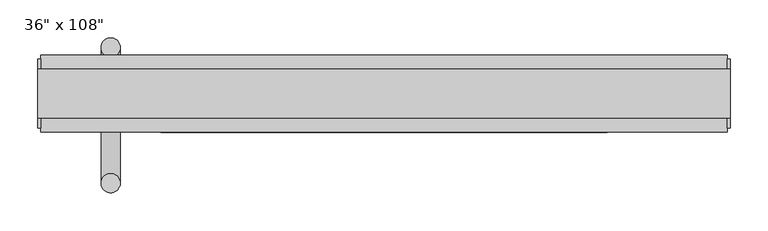
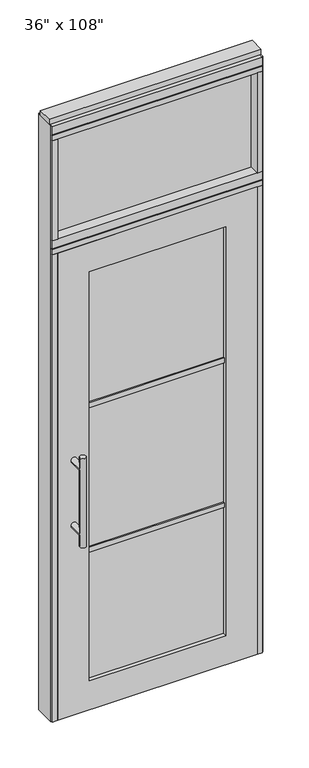
"""IFC4 building model written with IfcOpenShell, lengths in millimetres: furniture geometry."""

from ifc_helpers import new_model, si_unit, frame, origin, origin_with_axes, place, context, project, spatial, polyline, circle_curve, ellipse_curve, outline, extrude, source, transform, mapped, element, save
from ifc_brep_helpers import plane_surface, cylinder_surface, advanced_brep


def furniture_d112f5d3(model_context):
    return source(origin(), model_context, "Body", "SolidModel", [
        extrude(outline(polyline([(371.0014771, -9.5977216), (-491.0745229, -9.5977216), (-491.0745229, 0.5622784), (371.0014771, 0.5622784), (371.0014771, -9.5977216)])), frame((0.0, 0.0, 2197.1), z_axis=(0.0, 0.0, 1.0), x_axis=(1.0, 0.0, 0.0)), (0.0, 0.0, 1.0), 457.2),
        advanced_brep(
        [(-433.7975229, 56.6962784, 1219.2), (-408.3975229, 56.6962784, 1219.2), (-433.7975229, 56.6962784, 812.8), (-408.3975229, 56.6962784, 812.8), (-408.3975229, 56.6962784, 1164.336), (-408.3975229, 56.6962784, 867.664), (-433.7975229, 56.6962784, 867.664), (-433.7975229, 56.6962784, 1164.336), (-433.7975229, -10.8677216, 1164.336), (-408.3975229, -10.8677216, 1164.336), (-433.7975229, -10.8677216, 867.664), (-408.3975229, -10.8677216, 867.664)],
        [
            (0, 1, circle_curve(frame((-421.0975229, 56.6962784, 1219.2), z_axis=(0.0, 0.0, 1.0), x_axis=(1.0, 0.0, 0.0)), 12.7)),
            (1, 0, circle_curve(frame((-421.0975229, 56.6962784, 1219.2), z_axis=(0.0, 0.0, 1.0), x_axis=(1.0, 0.0, 0.0)), 12.7)),
            (2, 3, circle_curve(frame((-421.0975229, 56.6962784, 812.8), z_axis=(0.0, 0.0, -1.0), x_axis=(1.0, 0.0, 0.0)), 12.7)),
            (3, 2, circle_curve(frame((-421.0975229, 56.6962784, 812.8), z_axis=(0.0, 0.0, -1.0), x_axis=(1.0, 0.0, 0.0)), 12.7)),
            (1, 4),
            (4, 5),
            (5, 3),
            (2, 6),
            (6, 7),
            (7, 0),
            (6, 5, ellipse_curve(frame((-421.0975229, 56.6962784, 867.664), z_axis=(0.0, 0.707106781186565, 0.70710678118653), x_axis=(0.0, -0.70710678118653, 0.707106781186565)), 17.9605122, 12.7)),
            (4, 7, ellipse_curve(frame((-421.0975229, 56.6962784, 1164.336), z_axis=(0.0, 0.70710678118653, -0.7071067811865649), x_axis=(0.0, 0.7071067811865648, 0.7071067811865301)), 17.9605122, 12.7)),
            (7, 4, ellipse_curve(frame((-421.0975229, 56.6962784, 1164.336), z_axis=(0.0, 0.707106781186565, 0.70710678118653), x_axis=(0.0, -0.70710678118653, 0.707106781186565)), 17.9605122, 12.7)),
            (5, 6, ellipse_curve(frame((-421.0975229, 56.6962784, 867.664), z_axis=(0.0, 0.70710678118653, -0.7071067811865649), x_axis=(0.0, 0.7071067811865648, 0.7071067811865301)), 17.9605122, 12.7)),
            (8, 9, circle_curve(frame((-421.0975229, -10.8677216, 1164.336), z_axis=(0.0, -1.0, 0.0), x_axis=(1.0, 0.0, 0.0)), 12.7)),
            (9, 8, circle_curve(frame((-421.0975229, -10.8677216, 1164.336), z_axis=(0.0, -1.0, 0.0), x_axis=(1.0, 0.0, 0.0)), 12.7)),
            (8, 7),
            (4, 9),
            (10, 11, circle_curve(frame((-421.0975229, -10.8677216, 867.664), z_axis=(0.0, -1.0, 0.0), x_axis=(1.0, 0.0, 0.0)), 12.7)),
            (11, 10, circle_curve(frame((-421.0975229, -10.8677216, 867.664), z_axis=(0.0, -1.0, 0.0), x_axis=(1.0, 0.0, 0.0)), 12.7)),
            (10, 6),
            (5, 11),
        ],
        [
            plane_surface(frame((-408.3975229, 56.6962784, 1219.2), z_axis=(0.0, 0.0, 1.0), x_axis=(0.0, -1.0, 0.0))),
            plane_surface(frame((-408.3975229, 56.6962784, 812.8), z_axis=(0.0, 0.0, -1.0), x_axis=(0.0, 1.0, 0.0))),
            cylinder_surface(frame((-421.0975229, 56.6962784, 812.8), z_axis=(0.0, 0.0, 1.0), x_axis=(1.0, 0.0, 0.0)), 12.7),
            plane_surface(frame((-408.3975229, -10.8677216, 1164.336), z_axis=(0.0, -1.0, 0.0), x_axis=(0.0, 0.0, -1.0))),
            cylinder_surface(frame((-421.0975229, -10.8677216, 1164.336), z_axis=(0.0, 1.0, 0.0), x_axis=(1.0, 0.0, 0.0)), 12.7),
            plane_surface(frame((-408.3975229, -10.8677216, 867.664), z_axis=(0.0, -1.0, 0.0), x_axis=(0.0, 0.0, -1.0))),
            cylinder_surface(frame((-421.0975229, -10.8677216, 867.664), z_axis=(0.0, 1.0, 0.0), x_axis=(1.0, 0.0, 0.0)), 12.7),
        ],
        [
            (0, [[1, 2]]),
            (1, [[3, 4]]),
            (2, [[5, 6, 7, -3, 8, 9, 10, -2]]),
            (2, [[-9, 11, -6, 12]]),
            (2, [[-10, 13, -5, -1]]),
            (2, [[-7, 14, -8, -4]]),
            (3, [[15, 16]]),
            (4, [[17, -12, 18, -15]]),
            (4, [[-18, -13, -17, -16]]),
            (5, [[19, 20]]),
            (6, [[21, -14, 22, -19]]),
            (6, [[-22, -11, -21, -20]]),
        ],
    ),
        advanced_brep(
        [(-433.7975229, -122.8817216, 1219.2), (-408.3975229, -122.8817216, 1219.2), (-433.7975229, -122.8817216, 812.8), (-408.3975229, -122.8817216, 812.8), (-433.7975229, -122.8817216, 1164.336), (-433.7975229, -122.8817216, 867.664), (-408.3975229, -122.8817216, 867.664), (-408.3975229, -122.8817216, 1164.336), (-433.7975229, -55.3177216, 1164.336), (-408.3975229, -55.3177216, 1164.336), (-433.7975229, -55.3177216, 867.664), (-408.3975229, -55.3177216, 867.664)],
        [
            (0, 1, circle_curve(frame((-421.0975229, -122.8817216, 1219.2), z_axis=(0.0, 0.0, 1.0), x_axis=(1.0, 0.0, 0.0)), 12.7)),
            (1, 0, circle_curve(frame((-421.0975229, -122.8817216, 1219.2), z_axis=(0.0, 0.0, 1.0), x_axis=(1.0, 0.0, 0.0)), 12.7)),
            (2, 3, circle_curve(frame((-421.0975229, -122.8817216, 812.8), z_axis=(0.0, 0.0, -1.0), x_axis=(1.0, 0.0, 0.0)), 12.7)),
            (3, 2, circle_curve(frame((-421.0975229, -122.8817216, 812.8), z_axis=(0.0, 0.0, -1.0), x_axis=(1.0, 0.0, 0.0)), 12.7)),
            (0, 4),
            (4, 5),
            (5, 2),
            (3, 6),
            (6, 7),
            (7, 1),
            (7, 4, ellipse_curve(frame((-421.0975229, -122.8817216, 1164.336), z_axis=(0.0, -0.707106781186565, 0.70710678118653), x_axis=(0.0, 0.70710678118653, 0.707106781186565)), 17.9605122, 12.7)),
            (5, 6, ellipse_curve(frame((-421.0975229, -122.8817216, 867.664), z_axis=(0.0, -0.70710678118653, -0.7071067811865649), x_axis=(0.0, -0.7071067811865648, 0.7071067811865301)), 17.9605122, 12.7)),
            (4, 7, ellipse_curve(frame((-421.0975229, -122.8817216, 1164.336), z_axis=(0.0, -0.70710678118653, -0.7071067811865649), x_axis=(0.0, -0.7071067811865648, 0.7071067811865301)), 17.9605122, 12.7)),
            (6, 5, ellipse_curve(frame((-421.0975229, -122.8817216, 867.664), z_axis=(0.0, -0.707106781186565, 0.70710678118653), x_axis=(0.0, 0.70710678118653, 0.707106781186565)), 17.9605122, 12.7)),
            (8, 9, circle_curve(frame((-421.0975229, -55.3177216, 1164.336), z_axis=(0.0, 1.0, 0.0), x_axis=(1.0, 0.0, 0.0)), 12.7)),
            (9, 8, circle_curve(frame((-421.0975229, -55.3177216, 1164.336), z_axis=(0.0, 1.0, 0.0), x_axis=(1.0, 0.0, 0.0)), 12.7)),
            (9, 7),
            (4, 8),
            (10, 11, circle_curve(frame((-421.0975229, -55.3177216, 867.664), z_axis=(0.0, 1.0, 0.0), x_axis=(1.0, 0.0, 0.0)), 12.7)),
            (11, 10, circle_curve(frame((-421.0975229, -55.3177216, 867.664), z_axis=(0.0, 1.0, 0.0), x_axis=(1.0, 0.0, 0.0)), 12.7)),
            (11, 6),
            (5, 10),
        ],
        [
            plane_surface(frame((-408.3975229, -122.8817216, 1219.2), z_axis=(0.0, 0.0, 1.0), x_axis=(0.0, 1.0, 0.0))),
            plane_surface(frame((-408.3975229, -122.8817216, 812.8), z_axis=(0.0, 0.0, -1.0), x_axis=(0.0, -1.0, 0.0))),
            cylinder_surface(frame((-421.0975229, -122.8817216, 812.8), z_axis=(0.0, 0.0, 1.0), x_axis=(1.0, 0.0, 0.0)), 12.7),
            plane_surface(frame((-408.3975229, -55.3177216, 1164.336), z_axis=(0.0, 1.0, 0.0), x_axis=(0.0, 0.0, -1.0))),
            cylinder_surface(frame((-421.0975229, -55.3177216, 1164.336), z_axis=(0.0, -1.0, 0.0), x_axis=(1.0, 0.0, 0.0)), 12.7),
            plane_surface(frame((-408.3975229, -55.3177216, 867.664), z_axis=(0.0, 1.0, 0.0), x_axis=(0.0, 0.0, -1.0))),
            cylinder_surface(frame((-421.0975229, -55.3177216, 867.664), z_axis=(0.0, -1.0, 0.0), x_axis=(1.0, 0.0, 0.0)), 12.7),
        ],
        [
            (0, [[1, 2]]),
            (1, [[3, 4]]),
            (2, [[-1, 5, 6, 7, -4, 8, 9, 10]]),
            (2, [[-2, -10, 11, -5]]),
            (2, [[-3, -7, 12, -8]]),
            (2, [[13, -9, 14, -6]]),
            (3, [[15, 16]]),
            (4, [[-16, 17, -13, 18]]),
            (4, [[-15, -18, -11, -17]]),
            (5, [[19, 20]]),
            (6, [[-20, 21, -12, 22]]),
            (6, [[-19, -22, -14, -21]]),
        ],
    ),
        extrude(outline(polyline([(-355.0575229, -44.2052216), (-355.0575229, -21.9802216), (234.9844771, -21.9802216), (234.9844771, -44.2052216), (-355.0575229, -44.2052216)])), frame((0.0, 0.0, 1371.6), z_axis=(0.0, 0.0, 1.0), x_axis=(1.0, 0.0, 0.0)), (0.0, 0.0, 1.0), 22.225),
        extrude(outline(polyline([(-355.0575229, -44.2052216), (-355.0575229, -21.9802216), (234.9844771, -21.9802216), (234.9844771, -44.2052216), (-355.0575229, -44.2052216)])), frame((0.0, 0.0, 711.2), z_axis=(0.0, 0.0, 1.0), x_axis=(1.0, 0.0, 0.0)), (0.0, 0.0, 1.0), 22.225),
        extrude(outline(polyline([(234.9844771, -38.1727216), (-355.0575229, -38.1727216), (-355.0575229, -28.0127216), (234.9844771, -28.0127216), (234.9844771, -38.1727216)])), frame((0.0, 0.0, 132.969), z_axis=(0.0, 0.0, 1.0), x_axis=(1.0, 0.0, 0.0)), (0.0, 0.0, 1.0), 1867.662),
        extrude(outline(polyline([(2133.6, 371.0014771), (2133.6, -491.0745229), (0.0, -491.0745229), (0.0, 371.0014771), (2133.6, 371.0014771)]), holes=[polyline([(2000.631, 234.9844771), (132.969, 234.9844771), (132.969, -355.0575229), (2000.631, -355.0575229), (2000.631, 234.9844771)])]), frame((0.0, -55.3177216, 0.0), z_axis=(0.0, 1.0, 0.0), x_axis=(0.0, 0.0, 1.0)), (0.0, 0.0, 1.0), 44.45),
        extrude(outline(polyline([(-491.0745229, -55.3177216), (-513.2995229, -55.3177216), (-513.2995229, 46.2822784), (-491.0745229, 46.2822784), (-491.0745229, -55.3177216)])), frame((0.0, 0.0, 2197.1), z_axis=(0.0, 0.0, 1.0), x_axis=(1.0, 0.0, 0.0)), (0.0, 0.0, 1.0), 457.2),
        extrude(outline(polyline([(371.0014771, -55.3177216), (371.0014771, 46.2822784), (393.2264771, 46.2822784), (393.2264771, -55.3177216), (371.0014771, -55.3177216)])), frame((0.0, 0.0, 2197.1), z_axis=(0.0, 0.0, 1.0), x_axis=(1.0, 0.0, 0.0)), (0.0, 0.0, 1.0), 457.2),
        extrude(outline(polyline([(-513.2995229, -55.3177216), (-513.2995229, 46.2822784), (393.2264771, 46.2822784), (393.2264771, -55.3177216), (-513.2995229, -55.3177216)])), frame((0.0, 0.0, 2133.6), z_axis=(0.0, 0.0, 1.0), x_axis=(1.0, 0.0, 0.0)), (0.0, 0.0, 1.0), 22.225),
        extrude(outline(polyline([(-55.3177216, 2160.778), (-55.3177216, 2197.1), (46.2822784, 2197.1), (46.2822784, 2160.778), (41.3292784, 2160.778), (41.3292784, 2155.825), (-50.3647216, 2155.825), (-50.3647216, 2160.778), (-55.3177216, 2160.778)])), frame((-513.2995229, 0.0, 0.0), z_axis=(1.0, 0.0, 0.0), x_axis=(0.0, 1.0, 0.0)), (0.0, 0.0, 1.0), 906.526),
        extrude(outline(polyline([(-513.2995229, -55.3177216), (-513.2995229, 46.2822784), (393.2264771, 46.2822784), (393.2264771, -55.3177216), (-513.2995229, -55.3177216)])), frame((0.0, 0.0, 2654.3), z_axis=(0.0, 0.0, 1.0), x_axis=(1.0, 0.0, 0.0)), (0.0, 0.0, 1.0), 22.225),
        extrude(outline(polyline([(397.1634771, -50.3647216), (393.2264771, -50.3647216), (393.2264771, 41.3292784), (397.1634771, 41.3292784), (397.1634771, -50.3647216)])), origin_with_axes(), (0.0, 0.0, 1.0), 2717.8),
        extrude(outline(polyline([(-517.2365229, -50.3647216), (-517.2365229, 41.3292784), (-513.2995229, 41.3292784), (-513.2995229, -50.3647216), (-517.2365229, -50.3647216)])), origin_with_axes(), (0.0, 0.0, 1.0), 2717.8),
        extrude(outline(polyline([(371.0014771, -55.3177216), (371.0014771, 46.2822784), (393.2264771, 46.2822784), (393.2264771, -55.3177216), (371.0014771, -55.3177216)])), origin_with_axes(), (0.0, 0.0, 1.0), 2133.6),
        extrude(outline(polyline([(-491.0745229, -55.3177216), (-513.2995229, -55.3177216), (-513.2995229, 46.2822784), (-491.0745229, 46.2822784), (-491.0745229, -55.3177216)])), origin_with_axes(), (0.0, 0.0, 1.0), 2133.6),
        extrude(outline(polyline([(-55.3177216, 2681.478), (-55.3177216, 2717.8), (46.2822784, 2717.8), (46.2822784, 2681.478), (41.3292784, 2681.478), (41.3292784, 2676.525), (-50.3647216, 2676.525), (-50.3647216, 2681.478), (-55.3177216, 2681.478)])), frame((-513.2995229, 0.0, 0.0), z_axis=(1.0, 0.0, 0.0), x_axis=(0.0, 1.0, 0.0)), (0.0, 0.0, 1.0), 906.526),
        extrude(outline(polyline([(-517.2365229, -37.0297216), (-517.2365229, 27.9942784), (397.1634771, 27.9942784), (397.1634771, -37.0297216), (-517.2365229, -37.0297216)])), frame((0.0, 0.0, 2717.8), z_axis=(0.0, 0.0, 1.0), x_axis=(1.0, 0.0, 0.0)), (0.0, 0.0, 1.0), 25.4),
    ])


if __name__ == "__main__":
    model = new_model("IFC4")
    model_context = context("Model", 3, world=origin())
    ifc_project = project(units=[si_unit("LENGTHUNIT", "METRE", prefix="MILLI")], contexts=[model_context])
    site = spatial("IfcSite", under=ifc_project)
    building = spatial("IfcBuilding", under=site)
    placement = place(None, origin())
    furniture_shape = furniture_d112f5d3(model_context)
    element("IfcFurniture", 1, ObjectType="36\" x 108\"", at=placement, inside=building, context=model_context, shape_type="MappedRepresentation", body=[
        mapped(furniture_shape, transform((0.0, 0.0, 0.0), x_axis=(1.0, 0.0, 0.0), y_axis=(0.0, 1.0, 0.0), z_axis=(0.0, 0.0, 1.0))),
    ])
    save(model, "model.ifc")
